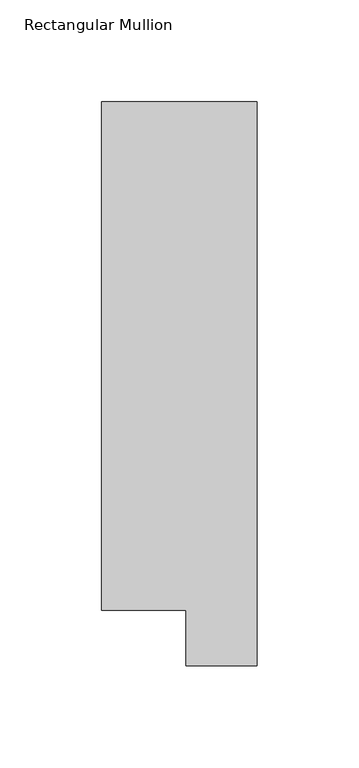
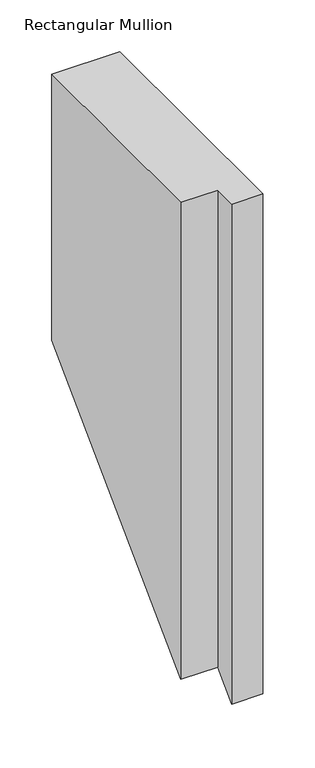
"""IFC4 building model written with IfcOpenShell, lengths in millimetres: member geometry, Rectangular Mullion."""

from ifc_helpers import new_model, si_unit, origin, place, context, project, spatial, faceted_brep, source, transform, mapped, element, save


def rectangular_mullion_612c081d(model_context):
    return source(origin(), model_context, "Body", "Brep", [
        faceted_brep([(-3.3e-06, 295.9695326, 0.0), (-76.2000033, 295.9695317, 0.0), (-76.2000003, 46.7447306, 0.0), (-34.9123003, 46.7447311, 0.0), (-34.9123, 19.5667322, 0.0), (0.0, 19.5667326, 0.0), (-3.3e-06, 295.9695326, -313.5987174), (-76.2000033, 295.9695317, -313.5987183), (-76.2000003, 46.7447306, -562.8235194), (-34.9123003, 46.7447311, -562.8235189), (-34.9123, 19.5667322, -590.0015178), (0.0, 19.5667326, -590.0015174)], [[[0, 1, 2, 3, 4, 5]], [[1, 0, 6, 7]], [[2, 1, 7, 8]], [[3, 2, 8, 9]], [[4, 3, 9, 10]], [[5, 4, 10, 11]], [[0, 5, 11, 6]], [[6, 11, 10, 9, 8, 7]]]),
    ])


if __name__ == "__main__":
    model = new_model("IFC4")
    model_context = context("Model", 3, world=origin())
    ifc_project = project(units=[si_unit("LENGTHUNIT", "METRE", prefix="MILLI")], contexts=[model_context])
    site = spatial("IfcSite", under=ifc_project)
    building = spatial("IfcBuilding", under=site)
    placement = place(None, origin())
    rectangular_mullion_shape = rectangular_mullion_612c081d(model_context)
    element("IfcMember", 1, ObjectType="Rectangular Mullion", at=placement, inside=building, context=model_context, shape_type="MappedRepresentation", body=[
        mapped(rectangular_mullion_shape, transform((0.0, 0.0, 0.0), x_axis=(1.0, 0.0, 0.0), y_axis=(0.0, 1.0, 0.0), z_axis=(0.0, 0.0, 1.0))),
    ])
    save(model, "model.ifc")
